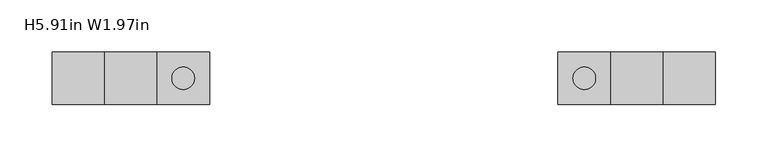
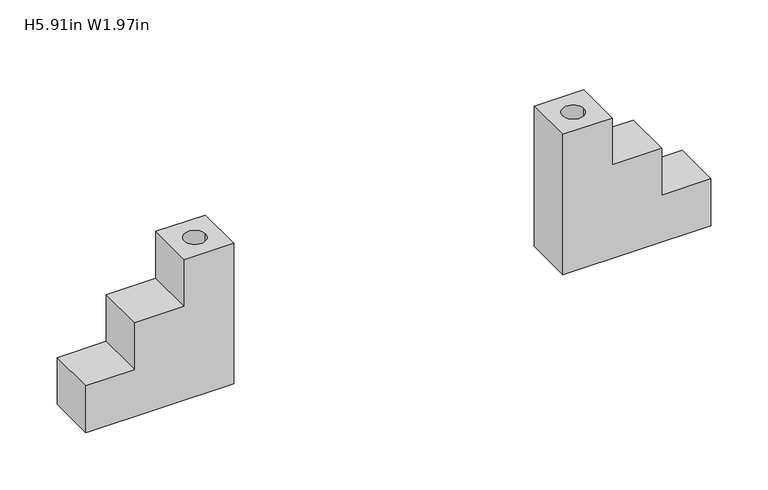
"""IFC4 building model written with IfcOpenShell, lengths in millimetres: furniture geometry, H5.91in W1.97in."""

import ifcopenshell
import ifcopenshell.guid

model = None  # the IFC model being written
_history = None  # IfcOwnerHistory: only IFC2X3 demands one
_inside = {}  # id of a spatial element -> (the spatial element, [elements in it])
_under = {}  # id of a project, library or spatial element -> (it, [spatial elements below it])
_declared = {}  # id of a project -> (the project, [libraries it declares])
_typed = {}  # id of a type object -> (the type object, [elements of that type])
_made_of = {}  # id of a material, layer set ... -> (it, [elements and type objects made of it])


def new_model(schema):
    """Start an empty IFC model of exactly this schema.

    Asked for "IFC4X3", IfcOpenShell would pick the latest addendum, in which some entities
    have other attributes; the version numbers below select the first issue.
    IFC2X3 requires an IfcOwnerHistory on every rooted entity: one is made here for all.
    """
    global model, _history
    if schema == "IFC4X3":
        model = ifcopenshell.file(schema_version=(4, 3, 0, 0))
    else:
        model = ifcopenshell.file(schema=schema)
    _inside.clear()
    _under.clear()
    _declared.clear()
    _typed.clear()
    _made_of.clear()
    _history = None
    if model.schema == "IFC2X3":
        org = make("IfcOrganization", Name="unknown")
        user = make(
            "IfcPersonAndOrganization",
            ThePerson=make("IfcPerson", FamilyName="unknown"),
            TheOrganization=org,
        )
        app = make(
            "IfcApplication",
            ApplicationDeveloper=org,
            Version="unknown",
            ApplicationFullName="unknown",
            ApplicationIdentifier="unknown",
        )
        _history = make(
            "IfcOwnerHistory",
            OwningUser=user,
            OwningApplication=app,
            ChangeAction="ADDED",
            CreationDate=0,
        )
    return model


def make(cls, **values):
    """One entity of the class cls with the attributes given. An attribute that is None is left unset."""
    return model.create_entity(
        cls, **{name: value for name, value in values.items() if value is not None}
    )


def rooted(cls, **values):
    """An entity with a GlobalId (a new one), such as an element, a storey or a relation."""
    return make(cls, GlobalId=ifcopenshell.guid.new(), OwnerHistory=_history, **values)


def si_unit(unit_type, name, prefix=None):
    """IfcSIUnit, for example si_unit("LENGTHUNIT", "METRE", prefix="MILLI")."""
    return make("IfcSIUnit", UnitType=unit_type, Prefix=prefix, Name=name)


def assignment(units):
    """IfcUnitAssignment: the units of a project."""
    return None if units is None else make("IfcUnitAssignment", Units=units)


def point(xyz):
    """IfcCartesianPoint."""
    return None if xyz is None else make("IfcCartesianPoint", Coordinates=xyz)


def direction(xyz):
    """IfcDirection."""
    return None if xyz is None else make("IfcDirection", DirectionRatios=xyz)


def frame(location, z_axis=None, x_axis=None):
    """IfcAxis2Placement3D, a coordinate frame: its origin and axes. An axis left out is left unset."""
    return make(
        "IfcAxis2Placement3D",
        Location=point(location),
        Axis=direction(z_axis),
        RefDirection=direction(x_axis),
    )


def origin():
    """The frame at (0, 0, 0) with its axes left unset."""
    return frame((0.0, 0.0, 0.0))


def place(relative_to, where):
    """IfcLocalPlacement: puts the frame where relative to a parent placement (None: the world)."""
    return make(
        "IfcLocalPlacement", PlacementRelTo=relative_to, RelativePlacement=where
    )


def context(
    kind, dimensions, precision=None, world=None, true_north=None, identifier=None
):
    """IfcGeometricRepresentationContext, for example the 3D "Model" context."""
    return make(
        "IfcGeometricRepresentationContext",
        ContextIdentifier=identifier,
        ContextType=kind,
        CoordinateSpaceDimension=dimensions,
        Precision=precision,
        WorldCoordinateSystem=world,
        TrueNorth=true_north,
    )


def project(units=None, contexts=None):
    """IfcProject with its units and contexts."""
    return rooted(
        "IfcProject",
        Name="project",
        RepresentationContexts=contexts,
        UnitsInContext=assignment(units),
    )


def spatial(cls, under=None, at=None, **own):
    """A site, building, storey or space (cls), placed at a placement, below another one or the project."""
    s = rooted(cls, ObjectPlacement=at, **own)
    if under is not None:
        _under.setdefault(under.id(), (under, []))[1].append(s)
    return s


def polyline(points):
    """IfcPolyline through the points."""
    return make("IfcPolyline", Points=[point(p) for p in points])


def circle_curve(where, radius):
    """IfcCircle in the frame where."""
    return make("IfcCircle", Position=where, Radius=radius)


def shape(context_of_items, identifier, shape_type, items):
    """IfcShapeRepresentation: the items that make up one representation, for example the "Body"."""
    return make(
        "IfcShapeRepresentation",
        ContextOfItems=context_of_items,
        RepresentationIdentifier=identifier,
        RepresentationType=shape_type,
        Items=items,
    )


def source(mapping_origin, context_of_items, identifier, shape_type, items):
    """IfcRepresentationMap: a shape defined once, which mapped items show again and again."""
    return make(
        "IfcRepresentationMap",
        MappingOrigin=mapping_origin,
        MappedRepresentation=shape(context_of_items, identifier, shape_type, items),
    )


def transform(
    local_origin,
    x_axis=None,
    y_axis=None,
    z_axis=None,
    scale=None,
    scale2=None,
    scale3=None,
    uniform=True,
):
    """IfcCartesianTransformationOperator3D, or its non-uniform kind. x_axis, y_axis, z_axis: its Axis1, 2, 3."""
    if uniform:
        return make(
            "IfcCartesianTransformationOperator3D",
            Axis1=direction(x_axis),
            Axis2=direction(y_axis),
            LocalOrigin=point(local_origin),
            Scale=scale,
            Axis3=direction(z_axis),
        )
    return make(
        "IfcCartesianTransformationOperator3DnonUniform",
        Axis1=direction(x_axis),
        Axis2=direction(y_axis),
        LocalOrigin=point(local_origin),
        Scale=scale,
        Axis3=direction(z_axis),
        Scale2=scale2,
        Scale3=scale3,
    )


def mapped(mapping_source, mapping_target):
    """IfcMappedItem: shows the shape of a source again, moved by a transform."""
    return make(
        "IfcMappedItem", MappingSource=mapping_source, MappingTarget=mapping_target
    )


def made_of(thing, what):
    """Note that an element or type object is made of a material, layer set ...; save() writes the relation."""
    if what is not None:
        _made_of.setdefault(what.id(), (what, []))[1].append(thing)
    return thing


def element(
    cls,
    number,
    at=None,
    inside=None,
    cuts=None,
    type_object=None,
    material=None,
    context=None,
    identifier="Body",
    shape_type=None,
    held_by="IfcProductDefinitionShape",
    body=None,
    shapes=None,
    **own,
):
    """One element of the class cls, such as IfcWall. Its Tag is "e" and its number.

    at: its placement. inside: the storey or other place that contains it. cuts: it is an
    opening in that element (IfcRelVoidsElement). A single representation is given by context,
    identifier, shape_type and body (its items); several are given by shapes. held_by: the class
    of the entity that holds the representations. save() writes the other relations.
    """
    e = rooted(cls, Tag="e%d" % number, ObjectPlacement=at, **own)
    if body is not None:
        shapes = [shape(context, identifier, shape_type, body)]
    if shapes is not None:
        e.Representation = make(held_by, Representations=shapes)
    if inside is not None:
        _inside.setdefault(inside.id(), (inside, []))[1].append(e)
    if cuts is not None:
        rooted(
            "IfcRelVoidsElement", RelatingBuildingElement=cuts, RelatedOpeningElement=e
        )
    if type_object is not None:
        _typed.setdefault(type_object.id(), (type_object, []))[1].append(e)
    return made_of(e, material)


def aggregate(whole, parts):
    """IfcRelAggregates: a whole, such as a stair, and the parts it consists of."""
    return rooted("IfcRelAggregates", RelatingObject=whole, RelatedObjects=parts)


def save(model, path):
    """Write the relations noted so far, then the file.

    IfcRelAggregates (storeys below a building ...), IfcRelContainedInSpatialStructure (elements
    in a storey), IfcRelDefinesByType, IfcRelAssociatesMaterial and IfcRelDeclares: one each for
    every whole, place, type object, material and project.
    """
    for whole, parts in _under.values():
        aggregate(whole, parts)
    for where, things in _inside.values():
        rooted(
            "IfcRelContainedInSpatialStructure",
            RelatedElements=things,
            RelatingStructure=where,
        )
    for kind, things in _typed.values():
        rooted("IfcRelDefinesByType", RelatedObjects=things, RelatingType=kind)
    for what, things in _made_of.values():
        rooted("IfcRelAssociatesMaterial", RelatedObjects=things, RelatingMaterial=what)
    for by, libraries in _declared.values():
        rooted("IfcRelDeclares", RelatingContext=by, RelatedDefinitions=libraries)
    model.write(path)


def plane_surface(at):
    """IfcPlane: the flat surface through the origin of the frame at, square to its z axis."""
    return make("IfcPlane", Position=at)


def revolved_surface(curve, axis_point, axis_direction):
    """IfcSurfaceOfRevolution: the curve turned about the line through axis_point along axis_direction."""
    return make(
        "IfcSurfaceOfRevolution",
        SweptCurve=make("IfcArbitraryOpenProfileDef", ProfileType="CURVE", Curve=curve),
        AxisPosition=make("IfcAxis1Placement", Location=point(axis_point), Axis=direction(axis_direction)),
    )


def advanced_brep(points, edges, surfaces, faces):
    """IfcAdvancedBrep: a solid bounded by faces that lie on surfaces and meet in shared edges.

    An edge is (start, end): straight between two places in points (the first is 0);
    or (start, end, curve); or (start, end, curve, False) where it runs against its curve.
    A face is (place in surfaces, loops), or (place, loops, False) where it looks against
    its surface's normal. A loop lists edges by number (the first is 1), with a minus sign
    where the edge is run from its end to its start. The first loop is the outer one.
    """
    corners = [point(p) for p in points]
    vertices = [make("IfcVertexPoint", VertexGeometry=c) for c in corners]
    made = []
    for start, end, *more in edges:
        made.append(
            make(
                "IfcEdgeCurve",
                EdgeStart=vertices[start],
                EdgeEnd=vertices[end],
                EdgeGeometry=more[0] if more else make("IfcPolyline", Points=[corners[start], corners[end]]),
                SameSense=more[1] if len(more) > 1 else True,
            )
        )
    hull = []
    for where, loops, *sense in faces:
        bounds = []
        for j, loop in enumerate(loops):
            ring = [make("IfcOrientedEdge", EdgeElement=made[abs(k) - 1], Orientation=k > 0) for k in loop]
            bounds.append(
                make(
                    "IfcFaceOuterBound" if j == 0 else "IfcFaceBound",
                    Bound=make("IfcEdgeLoop", EdgeList=ring),
                    Orientation=True,
                )
            )
        hull.append(make("IfcAdvancedFace", Bounds=bounds, FaceSurface=surfaces[where], SameSense=sense[0] if sense else True))
    return make("IfcAdvancedBrep", Outer=make("IfcClosedShell", CfsFaces=hull))


def h5_91in_w1_97in_b4d07b68(model_context):
    return source(origin(), model_context, "Body", "AdvancedBrep", [
        advanced_brep(
        [(166.5574026, -25.0000002, 723.9), (316.5573175, -25.0000002, 723.9), (316.5573175, -25.0000002, 773.9000004), (266.5571082, -25.0000002, 773.9000004), (266.5571082, -25.0000002, 823.9000008), (216.5574076, -25.0000002, 823.9000008), (216.5574076, -25.0000002, 873.9000011), (166.5574026, -25.0000002, 873.9000011), (166.5574026, 25.0000002, 723.9), (166.5574026, 25.0000002, 873.9000011), (216.5574076, 25.0000002, 873.9000011), (216.5574076, 25.0000002, 823.9000008), (266.5571082, 25.0000002, 823.9000008), (266.5571082, 25.0000002, 773.9000004), (316.5573175, 25.0000002, 773.9000004), (316.5573175, 25.0000002, 723.9), (202.3532022, 0.0, 873.9000011), (180.7632022, 0.0, 873.9000011), (180.7632022, 0.0, 844.2099983), (202.3532022, 0.0, 844.2099983)],
        [
            (0, 1),
            (1, 2),
            (2, 3),
            (3, 4),
            (4, 5),
            (5, 6),
            (6, 7),
            (7, 0),
            (8, 9),
            (9, 10),
            (10, 11),
            (11, 12),
            (12, 13),
            (13, 14),
            (14, 15),
            (15, 8),
            (7, 9),
            (8, 0),
            (6, 10),
            (16, 17, circle_curve(frame((191.5582022, 0.0, 873.9000011), z_axis=(0.0, 0.0, -1.0), x_axis=(1.0, 0.0, 0.0)), 10.795)),
            (17, 16, circle_curve(frame((191.5582022, 0.0, 873.9000011), z_axis=(0.0, 0.0, -1.0), x_axis=(1.0, 0.0, 0.0)), 10.795)),
            (5, 11),
            (4, 12),
            (3, 13),
            (2, 14),
            (1, 15),
            (18, 19, circle_curve(frame((191.5582022, 0.0, 844.2099983), z_axis=(0.0, 0.0, 1.0), x_axis=(1.0, 0.0, 0.0)), 10.795)),
            (19, 18, circle_curve(frame((191.5582022, 0.0, 844.2099983), z_axis=(0.0, 0.0, 1.0), x_axis=(1.0, 0.0, 0.0)), 10.795)),
            (18, 17),
            (16, 19),
        ],
        [
            plane_surface(frame((316.5573175, -25.0000002, 723.9), z_axis=(0.0, -1.0, 0.0), x_axis=(1.0, 0.0, 0.0))),
            plane_surface(frame((316.5573175, 25.0000002, 723.9), z_axis=(0.0, 1.0, 0.0), x_axis=(-1.0, 0.0, 0.0))),
            plane_surface(frame((166.5574026, -25.0000002, 873.9000011), z_axis=(-1.0, 0.0, 0.0), x_axis=(0.0, 1.0, 0.0))),
            plane_surface(frame((216.5574076, -25.0000002, 873.9000011), z_axis=(0.0, 0.0, 1.0), x_axis=(0.0, 1.0, 0.0))),
            plane_surface(frame((216.5574076, -25.0000002, 823.9000008), z_axis=(1.0, 0.0, 0.0), x_axis=(0.0, 1.0, 0.0))),
            plane_surface(frame((266.5571082, -25.0000002, 823.9000008), z_axis=(0.0, 0.0, 1.0), x_axis=(0.0, 1.0, 0.0))),
            plane_surface(frame((266.5571082, -25.0000002, 773.9000004), z_axis=(1.0, 0.0, 0.0), x_axis=(0.0, 1.0, 0.0))),
            plane_surface(frame((316.5573175, -25.0000002, 773.9000004), z_axis=(0.0, 0.0, 1.0), x_axis=(0.0, 1.0, 0.0))),
            plane_surface(frame((316.5573175, -25.0000002, 723.9), z_axis=(1.0, 0.0, 0.0), x_axis=(0.0, 1.0, 0.0))),
            plane_surface(frame((166.5574026, -25.0000002, 723.9), z_axis=(0.0, 0.0, -1.0), x_axis=(0.0, 1.0, 0.0))),
            plane_surface(frame((-180.7632022, 0.0, 844.2099983), z_axis=(0.0, 0.0, 1.0), x_axis=(0.0, -1.0, 0.0))),
            revolved_surface(polyline([(202.3532022, 0.0, 873.9000011), (202.3532022, 0.0, 844.2099983)]), (191.5582022, 0.0, 0.0), (0.0, 0.0, 1.0)),
        ],
        [
            (0, [[1, 2, 3, 4, 5, 6, 7, 8]]),
            (1, [[9, 10, 11, 12, 13, 14, 15, 16]]),
            (2, [[-8, 17, -9, 18]]),
            (3, [[-7, 19, -10, -17], [20, 21]]),
            (4, [[-6, 22, -11, -19]]),
            (5, [[-5, 23, -12, -22]]),
            (6, [[-4, 24, -13, -23]]),
            (7, [[-3, 25, -14, -24]]),
            (8, [[-2, 26, -15, -25]]),
            (9, [[-1, -18, -16, -26]]),
            (10, [[27, 28]]),
            (11, [[-27, 29, -20, 30]]),
            (11, [[-28, -30, -21, -29]]),
        ],
    ),
        advanced_brep(
        [(-166.5574026, -25.0000002, 723.9), (-166.5574026, -25.0000002, 873.9000011), (-216.5574076, -25.0000002, 873.9000011), (-216.5574076, -25.0000002, 823.9000008), (-266.5571082, -25.0000002, 823.9000008), (-266.5571082, -25.0000002, 773.9000004), (-316.5573175, -25.0000002, 773.9000004), (-316.5573175, -25.0000002, 723.9), (-166.5574026, 25.0000002, 723.9), (-316.5573175, 25.0000002, 723.9), (-316.5573175, 25.0000002, 773.9000004), (-266.5571082, 25.0000002, 773.9000004), (-266.5571082, 25.0000002, 823.9000008), (-216.5574076, 25.0000002, 823.9000008), (-216.5574076, 25.0000002, 873.9000011), (-166.5574026, 25.0000002, 873.9000011), (-180.7632022, 0.0, 873.9000011), (-202.3532022, 0.0, 873.9000011), (-202.3532022, 0.0, 844.2099983), (-180.7632022, 0.0, 844.2099983)],
        [
            (0, 1),
            (1, 2),
            (2, 3),
            (3, 4),
            (4, 5),
            (5, 6),
            (6, 7),
            (7, 0),
            (8, 9),
            (9, 10),
            (10, 11),
            (11, 12),
            (12, 13),
            (13, 14),
            (14, 15),
            (15, 8),
            (0, 8),
            (15, 1),
            (14, 2),
            (16, 17, circle_curve(frame((-191.5582022, 0.0, 873.9000011), z_axis=(0.0, 0.0, -1.0), x_axis=(1.0, 0.0, 0.0)), 10.795)),
            (17, 16, circle_curve(frame((-191.5582022, 0.0, 873.9000011), z_axis=(0.0, 0.0, -1.0), x_axis=(1.0, 0.0, 0.0)), 10.795)),
            (13, 3),
            (12, 4),
            (11, 5),
            (10, 6),
            (9, 7),
            (18, 19, circle_curve(frame((-191.5582022, 0.0, 844.2099983), z_axis=(0.0, 0.0, 1.0), x_axis=(1.0, 0.0, 0.0)), 10.795)),
            (19, 18, circle_curve(frame((-191.5582022, 0.0, 844.2099983), z_axis=(0.0, 0.0, 1.0), x_axis=(1.0, 0.0, 0.0)), 10.795)),
            (18, 17),
            (16, 19),
        ],
        [
            plane_surface(frame((-166.5574026, -25.0000002, 873.9000011), z_axis=(0.0, -1.0, 0.0), x_axis=(0.0, 0.0, 1.0))),
            plane_surface(frame((-166.5574026, 25.0000002, 873.9000011), z_axis=(0.0, 1.0, 0.0), x_axis=(0.0, 0.0, -1.0))),
            plane_surface(frame((-166.5574026, -25.0000002, 723.9), z_axis=(1.0, 0.0, 0.0), x_axis=(0.0, 1.0, 0.0))),
            plane_surface(frame((-166.5574026, -25.0000002, 873.9000011), z_axis=(0.0, 0.0, 1.0), x_axis=(0.0, 1.0, 0.0))),
            plane_surface(frame((-216.5574076, -25.0000002, 873.9000011), z_axis=(-1.0, 0.0, 0.0), x_axis=(0.0, 1.0, 0.0))),
            plane_surface(frame((-216.5574076, -25.0000002, 823.9000008), z_axis=(0.0, 0.0, 1.0), x_axis=(0.0, 1.0, 0.0))),
            plane_surface(frame((-266.5571082, -25.0000002, 823.9000008), z_axis=(-1.0, 0.0, 0.0), x_axis=(0.0, 1.0, 0.0))),
            plane_surface(frame((-266.5571082, -25.0000002, 773.9000004), z_axis=(0.0, 0.0, 1.0), x_axis=(0.0, 1.0, 0.0))),
            plane_surface(frame((-316.5573175, -25.0000002, 773.9000004), z_axis=(-1.0, 0.0, 0.0), x_axis=(0.0, 1.0, 0.0))),
            plane_surface(frame((-316.5573175, -25.0000002, 723.9), z_axis=(0.0, 0.0, -1.0), x_axis=(0.0, 1.0, 0.0))),
            plane_surface(frame((-180.7632022, 0.0, 844.2099983), z_axis=(0.0, 0.0, 1.0), x_axis=(0.0, -1.0, 0.0))),
            revolved_surface(polyline([(-180.76320220000002, 0.0, 873.9000011), (-180.76320220000002, 0.0, 844.2099983)]), (-191.5582022, 0.0, 844.2099983), (0.0, 0.0, 1.0)),
        ],
        [
            (0, [[1, 2, 3, 4, 5, 6, 7, 8]]),
            (1, [[9, 10, 11, 12, 13, 14, 15, 16]]),
            (2, [[-1, 17, -16, 18]]),
            (3, [[-2, -18, -15, 19], [20, 21]]),
            (4, [[-3, -19, -14, 22]]),
            (5, [[-4, -22, -13, 23]]),
            (6, [[-5, -23, -12, 24]]),
            (7, [[-6, -24, -11, 25]]),
            (8, [[-7, -25, -10, 26]]),
            (9, [[-8, -26, -9, -17]]),
            (10, [[27, 28]]),
            (11, [[-27, 29, -20, 30]]),
            (11, [[-28, -30, -21, -29]]),
        ],
    ),
    ])


if __name__ == "__main__":
    model = new_model("IFC4")
    model_context = context("Model", 3, world=origin())
    ifc_project = project(units=[si_unit("LENGTHUNIT", "METRE", prefix="MILLI")], contexts=[model_context])
    site = spatial("IfcSite", under=ifc_project)
    building = spatial("IfcBuilding", under=site)
    placement = place(None, origin())
    h5_91in_w1_97in_shape = h5_91in_w1_97in_b4d07b68(model_context)
    element("IfcFurniture", 1, ObjectType="H5.91in W1.97in", at=placement, inside=building, context=model_context, shape_type="MappedRepresentation", body=[
        mapped(h5_91in_w1_97in_shape, transform((0.0, 0.0, 0.0), x_axis=(1.0, 0.0, 0.0), y_axis=(0.0, 1.0, 0.0), z_axis=(0.0, 0.0, 1.0))),
    ])
    save(model, "model.ifc")
